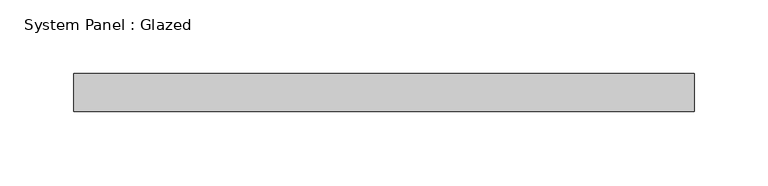
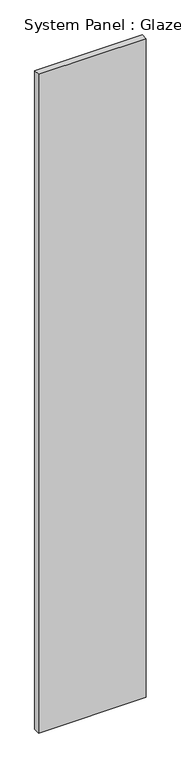
"""IFC4 building model written with IfcOpenShell, lengths in millimetres: plate geometry, System Panel : Glazed."""

from ifc_helpers import new_model, si_unit, origin, origin_with_axes, place, context, project, spatial, polyline, outline, extrude, source, transform, mapped, element, save


def system_panel_glazed_bb31aa00(model_context):
    return source(origin(), model_context, "Body", "SweptSolid", [
        extrude(outline(polyline([(209.55, 19.05), (-209.55, 19.05), (-209.55, 44.45), (209.55, 44.45), (209.55, 19.05)])), origin_with_axes(), (0.0, 0.0, 1.0), 2711.45),
    ])


if __name__ == "__main__":
    model = new_model("IFC4")
    model_context = context("Model", 3, world=origin())
    ifc_project = project(units=[si_unit("LENGTHUNIT", "METRE", prefix="MILLI")], contexts=[model_context])
    site = spatial("IfcSite", under=ifc_project)
    building = spatial("IfcBuilding", under=site)
    placement = place(None, origin())
    system_panel_glazed_shape = system_panel_glazed_bb31aa00(model_context)
    element("IfcPlate", 1, ObjectType="System Panel : Glazed", at=placement, inside=building, context=model_context, shape_type="MappedRepresentation", body=[
        mapped(system_panel_glazed_shape, transform((0.0, 0.0, 0.0), x_axis=(1.0, 0.0, 0.0), y_axis=(0.0, 1.0, 0.0), z_axis=(0.0, 0.0, 1.0))),
    ])
    save(model, "model.ifc")
